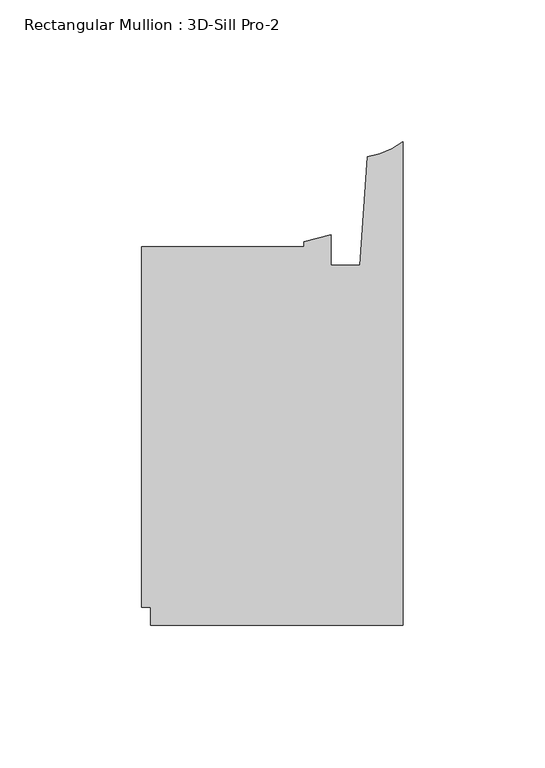
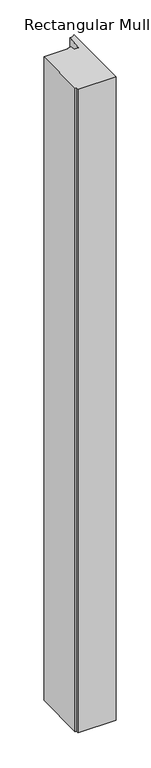
"""IFC4 building model written with IfcOpenShell, lengths in millimetres: member geometry, Rectangular Mullion : 3D-Sill Pro-2."""

from ifc_helpers import new_model, si_unit, point, frame, frame_2d, origin, place, context, project, spatial, polyline, circle_curve, trimmed, segment, composite_curve, outline, extrude, source, transform, mapped, element, save


def rectangular_mullion_3d_sill_pro_2_f8af9461(model_context):
    return source(origin(), model_context, "Body", "SweptSolid", [
        extrude(outline(composite_curve([segment(trimmed(circle_curve(frame_2d((-16.4585191, 118.1979156)), 27.3047292), [point((-12.5900978, 91.1686065))], [point((0.0, 96.4110988))], True, "CARTESIAN"), True, "CONTINUOUS"), segment(polyline([(0.0, 96.4110988), (0.0, -73.8187187), (-88.899973, -73.8187187), (-88.899973, -67.4687813), (-92.075127, -67.4687813), (-92.075127, 59.5312187), (-34.925, 59.5312187), (-34.925, 61.262483), (-25.4, 63.7046657), (-25.4, 52.9140487), (-15.24, 52.9140487), (-12.5900978, 91.1686065)]), True, "CONTINUOUS")], self_intersect=False)), frame((0.0, 0.0, -1590.6750002), z_axis=(0.0, 0.0, 1.0), x_axis=(1.0, 0.0, 0.0)), (0.0, 0.0, 1.0), 1590.6750002),
    ])


if __name__ == "__main__":
    model = new_model("IFC4")
    model_context = context("Model", 3, world=origin())
    ifc_project = project(units=[si_unit("LENGTHUNIT", "METRE", prefix="MILLI")], contexts=[model_context])
    site = spatial("IfcSite", under=ifc_project)
    building = spatial("IfcBuilding", under=site)
    placement = place(None, origin())
    rectangular_mullion_3d_sill_pro_2_shape = rectangular_mullion_3d_sill_pro_2_f8af9461(model_context)
    element("IfcMember", 1, ObjectType="Rectangular Mullion : 3D-Sill Pro-2", at=placement, inside=building, context=model_context, shape_type="MappedRepresentation", body=[
        mapped(rectangular_mullion_3d_sill_pro_2_shape, transform((0.0, 0.0, 0.0), x_axis=(1.0, 0.0, 0.0), y_axis=(0.0, 1.0, 0.0), z_axis=(0.0, 0.0, 1.0))),
    ])
    save(model, "model.ifc")
